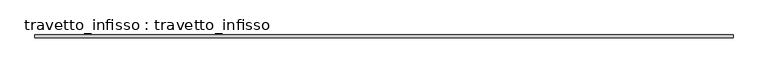
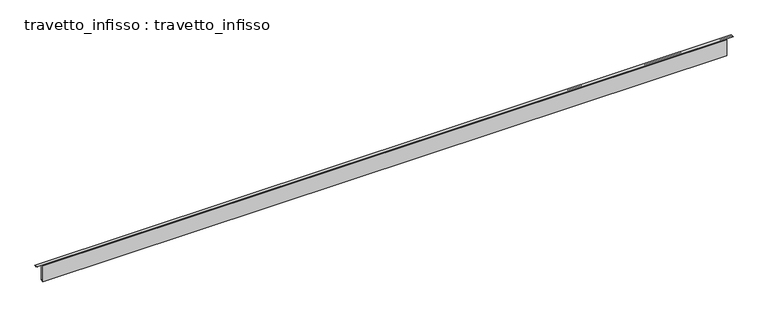
"""IFC4 building model written with IfcOpenShell, lengths in millimetres: beam geometry, travetto_infisso : travetto_infisso."""

from ifc_helpers import new_model, si_unit, frame, origin, place, context, project, spatial, polyline, outline, extrude, source, transform, mapped, element, save


def travetto_infisso_travetto_infisso_db40a967(model_context):
    return source(origin(), model_context, "Body", "SweptSolid", [
        extrude(outline(polyline([(-25.0, 68.5585434), (-25.0, 71.5585434), (25.0, 71.5585434), (25.0, 68.5585434), (1.5, 68.5585434), (1.5, 53.5585434), (-1.5, 53.5585434), (-1.5, 68.5585434), (-25.0, 68.5585434)])), frame((-6166.6666667, 0.0, 0.0), z_axis=(1.0, 0.0, 0.0), x_axis=(0.0, 1.0, 0.0)), (0.0, 0.0, 1.0), 12333.3333333),
        extrude(outline(polyline([(25.0, 53.5585434), (25.0, -246.4414566), (-25.0, -246.4414566), (-25.0, 53.5585434), (25.0, 53.5585434)]), holes=[polyline([(22.0, 50.5585434), (-22.0, 50.5585434), (-22.0, -243.4414566), (22.0, -243.4414566), (22.0, 50.5585434)])]), frame((-6053.9666667, 0.0, 0.0), z_axis=(1.0, 0.0, 0.0), x_axis=(0.0, 1.0, 0.0)), (0.0, 0.0, 1.0), 12107.9333333),
    ])


if __name__ == "__main__":
    model = new_model("IFC4")
    model_context = context("Model", 3, world=origin())
    ifc_project = project(units=[si_unit("LENGTHUNIT", "METRE", prefix="MILLI")], contexts=[model_context])
    site = spatial("IfcSite", under=ifc_project)
    building = spatial("IfcBuilding", under=site)
    placement = place(None, origin())
    travetto_infisso_travetto_infisso_shape = travetto_infisso_travetto_infisso_db40a967(model_context)
    element("IfcBeam", 1, ObjectType="travetto_infisso : travetto_infisso", at=placement, inside=building, context=model_context, shape_type="MappedRepresentation", body=[
        mapped(travetto_infisso_travetto_infisso_shape, transform((0.0, 0.0, 0.0), x_axis=(1.0, 0.0, 0.0), y_axis=(0.0, 1.0, 0.0), z_axis=(0.0, 0.0, 1.0))),
    ])
    save(model, "model.ifc")
